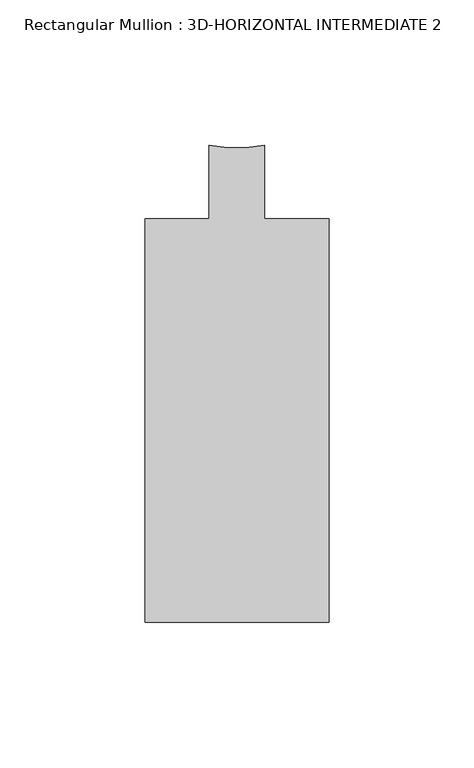
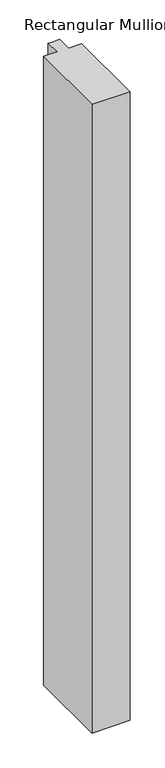
"""IFC4 building model written with IfcOpenShell, lengths in millimetres: member geometry, Rectangular Mullion : 3D-HORIZONTAL INTERMEDIATE 2."""

from ifc_helpers import new_model, si_unit, point, frame, frame_2d, origin, place, context, project, spatial, polyline, circle_curve, trimmed, segment, composite_curve, outline, extrude, source, transform, mapped, element, save


def rectangular_mullion_3d_horizontal_intermediate_2_6da0067b(model_context):
    return source(origin(), model_context, "Body", "SweptSolid", [
        extrude(outline(composite_curve([segment(polyline([(-31.75, 56.896), (-9.5251132, 56.896), (-9.5251132, 82.296)]), True, "CONTINUOUS"), segment(trimmed(circle_curve(frame_2d((0.0, 122.9915843)), 41.7954347), [point((-9.5251132, 82.296))], [point((9.5251132, 82.296))], True, "CARTESIAN"), True, "CONTINUOUS"), segment(polyline([(9.5251132, 82.296), (9.5251132, 56.896), (31.75, 56.896), (31.75, -82.296), (-31.75, -82.296), (-31.75, 56.896)]), True, "CONTINUOUS")], self_intersect=False)), frame((0.0, 0.0, -1104.6831251), z_axis=(0.0, 0.0, 1.0), x_axis=(1.0, 0.0, 0.0)), (0.0, 0.0, 1.0), 1104.6831251),
    ])


if __name__ == "__main__":
    model = new_model("IFC4")
    model_context = context("Model", 3, world=origin())
    ifc_project = project(units=[si_unit("LENGTHUNIT", "METRE", prefix="MILLI")], contexts=[model_context])
    site = spatial("IfcSite", under=ifc_project)
    building = spatial("IfcBuilding", under=site)
    placement = place(None, origin())
    rectangular_mullion_3d_horizontal_intermediate_2_shape = rectangular_mullion_3d_horizontal_intermediate_2_6da0067b(model_context)
    element("IfcMember", 1, ObjectType="Rectangular Mullion : 3D-HORIZONTAL INTERMEDIATE 2", at=placement, inside=building, context=model_context, shape_type="MappedRepresentation", body=[
        mapped(rectangular_mullion_3d_horizontal_intermediate_2_shape, transform((0.0, 0.0, 0.0), x_axis=(1.0, 0.0, 0.0), y_axis=(0.0, 1.0, 0.0), z_axis=(0.0, 0.0, 1.0))),
    ])
    save(model, "model.ifc")
